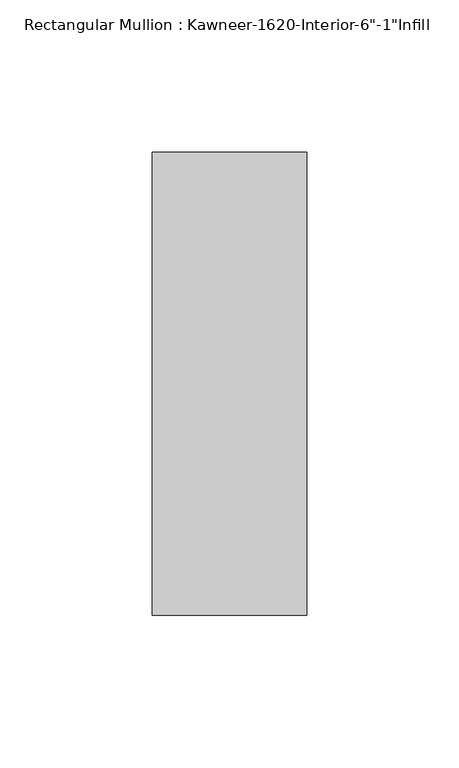
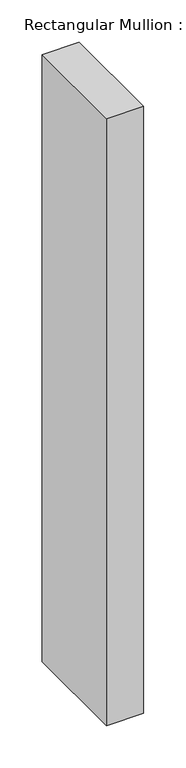
"""IFC4 building model written with IfcOpenShell, lengths in millimetres: member geometry."""

import ifcopenshell
import ifcopenshell.guid

model = None  # the IFC model being written
_history = None  # IfcOwnerHistory: only IFC2X3 demands one
_inside = {}  # id of a spatial element -> (the spatial element, [elements in it])
_under = {}  # id of a project, library or spatial element -> (it, [spatial elements below it])
_declared = {}  # id of a project -> (the project, [libraries it declares])
_typed = {}  # id of a type object -> (the type object, [elements of that type])
_made_of = {}  # id of a material, layer set ... -> (it, [elements and type objects made of it])


def new_model(schema):
    """Start an empty IFC model of exactly this schema.

    Asked for "IFC4X3", IfcOpenShell would pick the latest addendum, in which some entities
    have other attributes; the version numbers below select the first issue.
    IFC2X3 requires an IfcOwnerHistory on every rooted entity: one is made here for all.
    """
    global model, _history
    if schema == "IFC4X3":
        model = ifcopenshell.file(schema_version=(4, 3, 0, 0))
    else:
        model = ifcopenshell.file(schema=schema)
    _inside.clear()
    _under.clear()
    _declared.clear()
    _typed.clear()
    _made_of.clear()
    _history = None
    if model.schema == "IFC2X3":
        org = make("IfcOrganization", Name="unknown")
        user = make(
            "IfcPersonAndOrganization",
            ThePerson=make("IfcPerson", FamilyName="unknown"),
            TheOrganization=org,
        )
        app = make(
            "IfcApplication",
            ApplicationDeveloper=org,
            Version="unknown",
            ApplicationFullName="unknown",
            ApplicationIdentifier="unknown",
        )
        _history = make(
            "IfcOwnerHistory",
            OwningUser=user,
            OwningApplication=app,
            ChangeAction="ADDED",
            CreationDate=0,
        )
    return model


def make(cls, **values):
    """One entity of the class cls with the attributes given. An attribute that is None is left unset."""
    return model.create_entity(
        cls, **{name: value for name, value in values.items() if value is not None}
    )


def rooted(cls, **values):
    """An entity with a GlobalId (a new one), such as an element, a storey or a relation."""
    return make(cls, GlobalId=ifcopenshell.guid.new(), OwnerHistory=_history, **values)


def si_unit(unit_type, name, prefix=None):
    """IfcSIUnit, for example si_unit("LENGTHUNIT", "METRE", prefix="MILLI")."""
    return make("IfcSIUnit", UnitType=unit_type, Prefix=prefix, Name=name)


def assignment(units):
    """IfcUnitAssignment: the units of a project."""
    return None if units is None else make("IfcUnitAssignment", Units=units)


def point(xyz):
    """IfcCartesianPoint."""
    return None if xyz is None else make("IfcCartesianPoint", Coordinates=xyz)


def direction(xyz):
    """IfcDirection."""
    return None if xyz is None else make("IfcDirection", DirectionRatios=xyz)


def frame(location, z_axis=None, x_axis=None):
    """IfcAxis2Placement3D, a coordinate frame: its origin and axes. An axis left out is left unset."""
    return make(
        "IfcAxis2Placement3D",
        Location=point(location),
        Axis=direction(z_axis),
        RefDirection=direction(x_axis),
    )


def origin():
    """The frame at (0, 0, 0) with its axes left unset."""
    return frame((0.0, 0.0, 0.0))


def place(relative_to, where):
    """IfcLocalPlacement: puts the frame where relative to a parent placement (None: the world)."""
    return make(
        "IfcLocalPlacement", PlacementRelTo=relative_to, RelativePlacement=where
    )


def context(
    kind, dimensions, precision=None, world=None, true_north=None, identifier=None
):
    """IfcGeometricRepresentationContext, for example the 3D "Model" context."""
    return make(
        "IfcGeometricRepresentationContext",
        ContextIdentifier=identifier,
        ContextType=kind,
        CoordinateSpaceDimension=dimensions,
        Precision=precision,
        WorldCoordinateSystem=world,
        TrueNorth=true_north,
    )


def project(units=None, contexts=None):
    """IfcProject with its units and contexts."""
    return rooted(
        "IfcProject",
        Name="project",
        RepresentationContexts=contexts,
        UnitsInContext=assignment(units),
    )


def spatial(cls, under=None, at=None, **own):
    """A site, building, storey or space (cls), placed at a placement, below another one or the project."""
    s = rooted(cls, ObjectPlacement=at, **own)
    if under is not None:
        _under.setdefault(under.id(), (under, []))[1].append(s)
    return s


def polyline(points):
    """IfcPolyline through the points."""
    return make("IfcPolyline", Points=[point(p) for p in points])


def outline(outer, holes=None, kind="AREA"):
    """IfcArbitraryClosedProfileDef: a profile drawn as a closed curve; with holes, ...WithVoids."""
    if holes is None:
        return make("IfcArbitraryClosedProfileDef", ProfileType=kind, OuterCurve=outer)
    return make(
        "IfcArbitraryProfileDefWithVoids",
        ProfileType=kind,
        OuterCurve=outer,
        InnerCurves=holes,
    )


def extrude(swept, where, along, depth):
    """IfcExtrudedAreaSolid: the profile swept, set in the frame where, extruded along a direction by depth."""
    return make(
        "IfcExtrudedAreaSolid",
        SweptArea=swept,
        Position=where,
        ExtrudedDirection=direction(along),
        Depth=depth,
    )


def shape(context_of_items, identifier, shape_type, items):
    """IfcShapeRepresentation: the items that make up one representation, for example the "Body"."""
    return make(
        "IfcShapeRepresentation",
        ContextOfItems=context_of_items,
        RepresentationIdentifier=identifier,
        RepresentationType=shape_type,
        Items=items,
    )


def source(mapping_origin, context_of_items, identifier, shape_type, items):
    """IfcRepresentationMap: a shape defined once, which mapped items show again and again."""
    return make(
        "IfcRepresentationMap",
        MappingOrigin=mapping_origin,
        MappedRepresentation=shape(context_of_items, identifier, shape_type, items),
    )


def transform(
    local_origin,
    x_axis=None,
    y_axis=None,
    z_axis=None,
    scale=None,
    scale2=None,
    scale3=None,
    uniform=True,
):
    """IfcCartesianTransformationOperator3D, or its non-uniform kind. x_axis, y_axis, z_axis: its Axis1, 2, 3."""
    if uniform:
        return make(
            "IfcCartesianTransformationOperator3D",
            Axis1=direction(x_axis),
            Axis2=direction(y_axis),
            LocalOrigin=point(local_origin),
            Scale=scale,
            Axis3=direction(z_axis),
        )
    return make(
        "IfcCartesianTransformationOperator3DnonUniform",
        Axis1=direction(x_axis),
        Axis2=direction(y_axis),
        LocalOrigin=point(local_origin),
        Scale=scale,
        Axis3=direction(z_axis),
        Scale2=scale2,
        Scale3=scale3,
    )


def mapped(mapping_source, mapping_target):
    """IfcMappedItem: shows the shape of a source again, moved by a transform."""
    return make(
        "IfcMappedItem", MappingSource=mapping_source, MappingTarget=mapping_target
    )


def made_of(thing, what):
    """Note that an element or type object is made of a material, layer set ...; save() writes the relation."""
    if what is not None:
        _made_of.setdefault(what.id(), (what, []))[1].append(thing)
    return thing


def element(
    cls,
    number,
    at=None,
    inside=None,
    cuts=None,
    type_object=None,
    material=None,
    context=None,
    identifier="Body",
    shape_type=None,
    held_by="IfcProductDefinitionShape",
    body=None,
    shapes=None,
    **own,
):
    """One element of the class cls, such as IfcWall. Its Tag is "e" and its number.

    at: its placement. inside: the storey or other place that contains it. cuts: it is an
    opening in that element (IfcRelVoidsElement). A single representation is given by context,
    identifier, shape_type and body (its items); several are given by shapes. held_by: the class
    of the entity that holds the representations. save() writes the other relations.
    """
    e = rooted(cls, Tag="e%d" % number, ObjectPlacement=at, **own)
    if body is not None:
        shapes = [shape(context, identifier, shape_type, body)]
    if shapes is not None:
        e.Representation = make(held_by, Representations=shapes)
    if inside is not None:
        _inside.setdefault(inside.id(), (inside, []))[1].append(e)
    if cuts is not None:
        rooted(
            "IfcRelVoidsElement", RelatingBuildingElement=cuts, RelatedOpeningElement=e
        )
    if type_object is not None:
        _typed.setdefault(type_object.id(), (type_object, []))[1].append(e)
    return made_of(e, material)


def aggregate(whole, parts):
    """IfcRelAggregates: a whole, such as a stair, and the parts it consists of."""
    return rooted("IfcRelAggregates", RelatingObject=whole, RelatedObjects=parts)


def save(model, path):
    """Write the relations noted so far, then the file.

    IfcRelAggregates (storeys below a building ...), IfcRelContainedInSpatialStructure (elements
    in a storey), IfcRelDefinesByType, IfcRelAssociatesMaterial and IfcRelDeclares: one each for
    every whole, place, type object, material and project.
    """
    for whole, parts in _under.values():
        aggregate(whole, parts)
    for where, things in _inside.values():
        rooted(
            "IfcRelContainedInSpatialStructure",
            RelatedElements=things,
            RelatingStructure=where,
        )
    for kind, things in _typed.values():
        rooted("IfcRelDefinesByType", RelatedObjects=things, RelatingType=kind)
    for what, things in _made_of.values():
        rooted("IfcRelAssociatesMaterial", RelatedObjects=things, RelatingMaterial=what)
    for by, libraries in _declared.values():
        rooted("IfcRelDeclares", RelatingContext=by, RelatedDefinitions=libraries)
    model.write(path)


def member_f6175cc1(model_context):
    return source(origin(), model_context, "Body", "SweptSolid", [
        extrude(outline(polyline([(25.4, -114.3), (-25.4, -114.3), (-25.4, 38.1), (25.4, 38.1), (25.4, -114.3)])), frame((0.0, 0.0, -876.3934633), z_axis=(0.0, 0.0, 1.0), x_axis=(1.0, 0.0, 0.0)), (0.0, 0.0, 1.0), 876.3934633),
    ])


if __name__ == "__main__":
    model = new_model("IFC4")
    model_context = context("Model", 3, world=origin())
    ifc_project = project(units=[si_unit("LENGTHUNIT", "METRE", prefix="MILLI")], contexts=[model_context])
    site = spatial("IfcSite", under=ifc_project)
    building = spatial("IfcBuilding", under=site)
    placement = place(None, origin())
    member_shape = member_f6175cc1(model_context)
    element("IfcMember", 1, ObjectType="Rectangular Mullion : Kawneer-1620-Interior-6\"-1\"Infill", at=placement, inside=building, context=model_context, shape_type="MappedRepresentation", body=[
        mapped(member_shape, transform((0.0, 0.0, 0.0), x_axis=(1.0, 0.0, 0.0), y_axis=(0.0, 1.0, 0.0), z_axis=(0.0, 0.0, 1.0))),
    ])
    save(model, "model.ifc")
